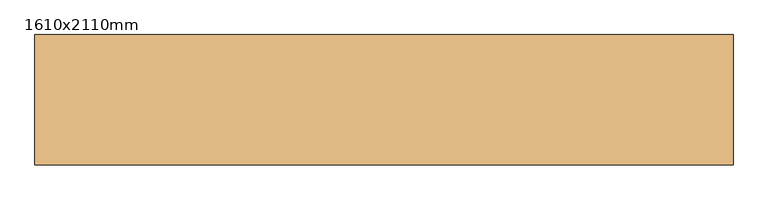
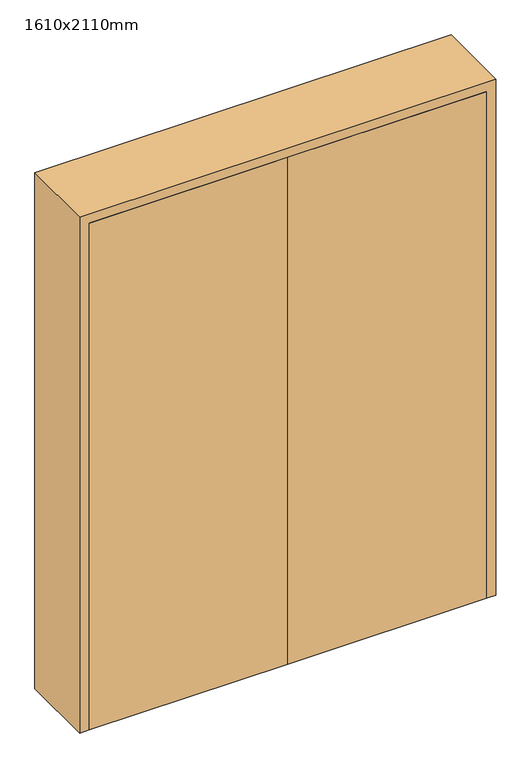
"""IFC4 building model written with IfcOpenShell, lengths in millimetres: door geometry, 1610x2110mm."""

from ifc_helpers import new_model, si_unit, origin, origin_with_axes, place, context, project, spatial, polyline, outline, extrude, faceted_brep, source, transform, mapped, element, save


def door_1610x2110mm_041cae0e(model_context):
    return source(origin(), model_context, "Body", "SolidModel", [
        extrude(outline(polyline([(768.0, -150.0), (0.0, -150.0), (0.0, -110.0), (768.0, -110.0), (768.0, -150.0)])), origin_with_axes(), (0.0, 0.0, 1.0), 2073.0),
        extrude(outline(polyline([(-768.0, -150.0), (-768.0, -110.0), (0.0, -110.0), (0.0, -150.0), (-768.0, -150.0)])), origin_with_axes(), (0.0, 0.0, 1.0), 2073.0),
        faceted_brep([(805.0, -150.0, 0.0), (768.0, -150.0, 0.0), (768.0, -110.0, 0.0), (755.0, -110.0, 0.0), (755.0, 150.0, 0.0), (805.0, 150.0, 0.0), (805.0, -150.0, 2110.0), (-805.0, -150.0, 2110.0), (-805.0, -150.0, 0.0), (-768.0, -150.0, 0.0), (-768.0, -150.0, 2073.0), (768.0, -150.0, 2073.0), (768.0, -110.0, 2073.0), (-768.0, -110.0, 2073.0), (-768.0, -110.0, 0.0), (-755.0, -110.0, 0.0), (-755.0, -110.0, 2060.0), (755.0, -110.0, 2060.0), (755.0, 150.0, 2060.0), (-755.0, 150.0, 2060.0), (-755.0, 150.0, 0.0), (-805.0, 150.0, 0.0), (-805.0, 150.0, 2110.0), (805.0, 150.0, 2110.0)], [[[0, 1, 2, 3, 4, 5]], [[1, 0, 6, 7, 8, 9, 10, 11]], [[2, 1, 11, 12]], [[3, 2, 12, 13, 14, 15, 16, 17]], [[4, 3, 17, 18]], [[5, 4, 18, 19, 20, 21, 22, 23]], [[0, 5, 23, 6]], [[7, 22, 21, 8]], [[8, 21, 20, 15, 14, 9]], [[13, 10, 9, 14]], [[19, 16, 15, 20]], [[12, 11, 10, 13]], [[18, 17, 16, 19]], [[6, 23, 22, 7]]]),
    ])


if __name__ == "__main__":
    model = new_model("IFC4")
    model_context = context("Model", 3, world=origin())
    ifc_project = project(units=[si_unit("LENGTHUNIT", "METRE", prefix="MILLI")], contexts=[model_context])
    site = spatial("IfcSite", under=ifc_project)
    building = spatial("IfcBuilding", under=site)
    placement = place(None, origin())
    door_1610x2110mm_shape = door_1610x2110mm_041cae0e(model_context)
    element("IfcDoor", 1, ObjectType="1610x2110mm", at=placement, inside=building, context=model_context, shape_type="MappedRepresentation", body=[
        mapped(door_1610x2110mm_shape, transform((0.0, 0.0, 0.0), x_axis=(1.0, 0.0, 0.0), y_axis=(0.0, 1.0, 0.0), z_axis=(0.0, 0.0, 1.0))),
    ])
    save(model, "model.ifc")
